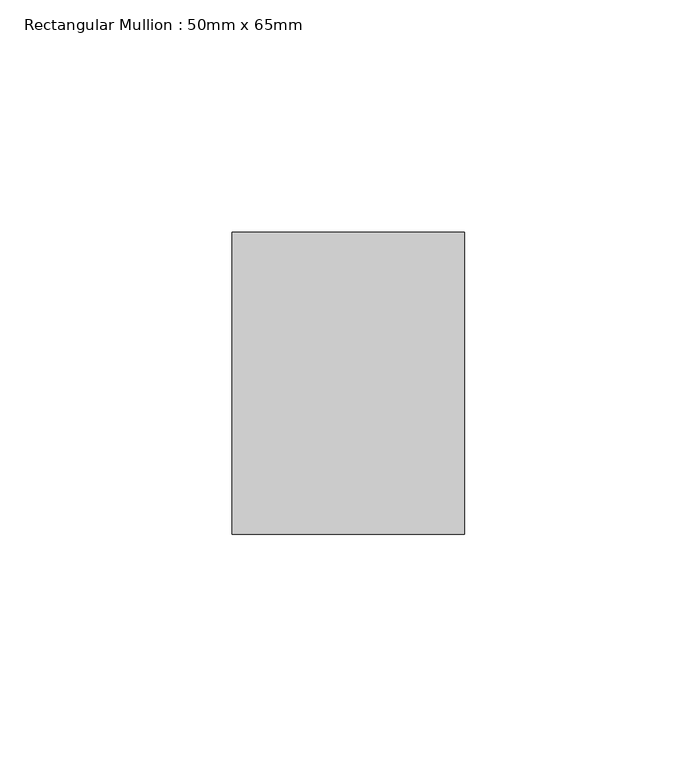
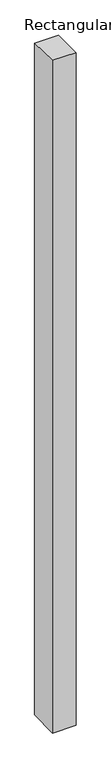
"""IFC4 building model written with IfcOpenShell, lengths in millimetres: member geometry, Rectangular Mullion : 50mm x 65mm."""

from ifc_helpers import new_model, si_unit, origin, place, context, project, spatial, faceted_brep, source, transform, mapped, element, save


def rectangular_mullion_50mm_x_65mm_0f2eebd6(model_context):
    return source(origin(), model_context, "Body", "Brep", [
        faceted_brep([(-25.0, 32.5, -0.5683213), (25.0, 32.5, -0.5683177), (25.0, 32.5, -1499.2874254), (-25.0, 32.5, -1499.2874209), (-25.0, -32.5, 0.5683177), (-25.0, -32.5, -1500.7128363), (25.0, -32.5, 0.5683213), (25.0, -32.5, -1500.7128408)], [[[0, 1, 2, 3]], [[4, 0, 3, 5]], [[6, 4, 5, 7]], [[1, 6, 7, 2]], [[1, 0, 4, 6]], [[2, 7, 5, 3]]]),
    ])


if __name__ == "__main__":
    model = new_model("IFC4")
    model_context = context("Model", 3, world=origin())
    ifc_project = project(units=[si_unit("LENGTHUNIT", "METRE", prefix="MILLI")], contexts=[model_context])
    site = spatial("IfcSite", under=ifc_project)
    building = spatial("IfcBuilding", under=site)
    placement = place(None, origin())
    rectangular_mullion_50mm_x_65mm_shape = rectangular_mullion_50mm_x_65mm_0f2eebd6(model_context)
    element("IfcMember", 1, ObjectType="Rectangular Mullion : 50mm x 65mm", at=placement, inside=building, context=model_context, shape_type="MappedRepresentation", body=[
        mapped(rectangular_mullion_50mm_x_65mm_shape, transform((0.0, 0.0, 0.0), x_axis=(1.0, 0.0, 0.0), y_axis=(0.0, 1.0, 0.0), z_axis=(0.0, 0.0, 1.0))),
    ])
    save(model, "model.ifc")
